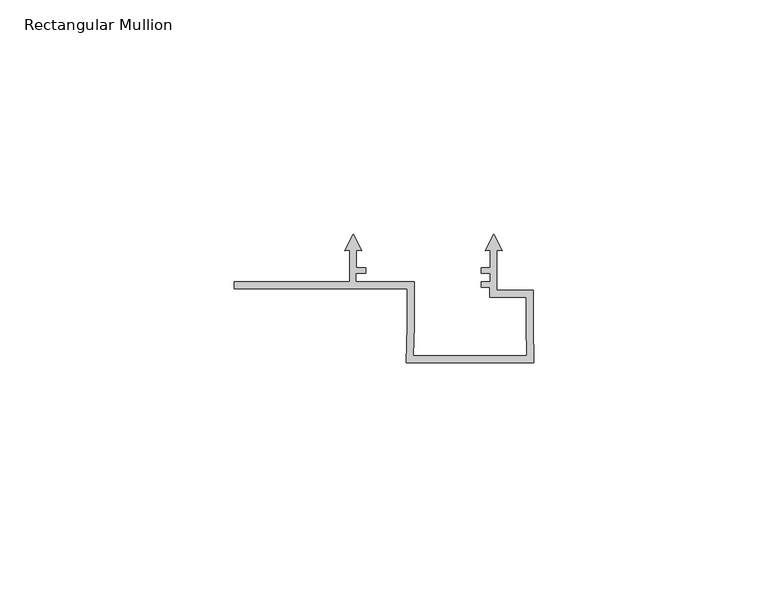
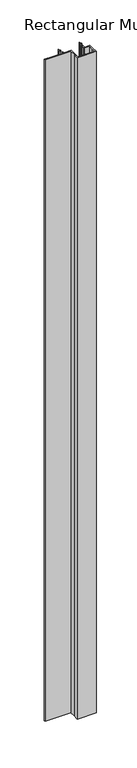
"""IFC4 building model written with IfcOpenShell, lengths in millimetres: member geometry, Rectangular Mullion."""

from ifc_helpers import new_model, si_unit, frame, origin, place, context, project, spatial, polyline, outline, extrude, source, transform, mapped, element, save


def rectangular_mullion_bd5f8efd(model_context):
    return source(origin(), model_context, "Body", "SweptSolid", [
        extrude(outline(polyline([(0.0, -52.1000001), (-27.279476, -52.1000001), (-27.1352165, -44.1039069), (-27.1353052, -36.2004291), (-64.1, -36.2004291), (-64.1, -34.7056679), (-39.3351463, -34.7056679), (-39.3351463, -28.0038207), (-40.4508816, -28.1014348), (-38.635145, -24.5378474), (-36.8194083, -28.1014348), (-37.9351461, -28.0038204), (-37.9351461, -31.6999997), (-35.942882, -31.6999997), (-35.942882, -32.9008281), (-38.0351451, -32.9008281), (-38.0351451, -34.6999997), (-25.6351455, -34.6999997), (-25.6351455, -44.1117002), (-25.7521689, -50.5999998), (-1.5181226, -50.5999998), (-1.6351135, -44.1153631), (-1.6351472, -38.0997951), (-9.4446143, -38.0997951), (-9.4446143, -35.9015214), (-11.3232242, -35.9015214), (-11.3232242, -34.6999954), (-9.344327, -34.6999954), (-9.344327, -32.9004386), (-11.3227094, -32.9004386), (-11.3227094, -31.698351), (-9.3351463, -31.698351), (-9.3351463, -28.0038206), (-10.4508827, -28.1014348), (-8.6351462, -24.5378474), (-6.8194096, -28.1014348), (-7.9351461, -28.0038205), (-7.9351461, -36.5995654), (-0.1443272, -36.5995654), (-0.1443272, -44.0977912), (0.0, -52.1000001)])), frame((0.0, 0.0, -1000.0), z_axis=(0.0, 0.0, 1.0), x_axis=(1.0, 0.0, 0.0)), (0.0, 0.0, 1.0), 1000.0),
    ])


if __name__ == "__main__":
    model = new_model("IFC4")
    model_context = context("Model", 3, world=origin())
    ifc_project = project(units=[si_unit("LENGTHUNIT", "METRE", prefix="MILLI")], contexts=[model_context])
    site = spatial("IfcSite", under=ifc_project)
    building = spatial("IfcBuilding", under=site)
    placement = place(None, origin())
    rectangular_mullion_shape = rectangular_mullion_bd5f8efd(model_context)
    element("IfcMember", 1, ObjectType="Rectangular Mullion", at=placement, inside=building, context=model_context, shape_type="MappedRepresentation", body=[
        mapped(rectangular_mullion_shape, transform((0.0, 0.0, 0.0), x_axis=(1.0, 0.0, 0.0), y_axis=(0.0, 1.0, 0.0), z_axis=(0.0, 0.0, 1.0))),
    ])
    save(model, "model.ifc")
